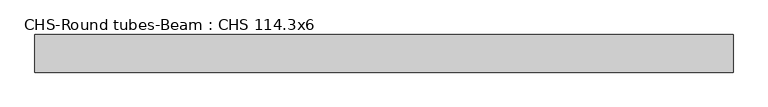
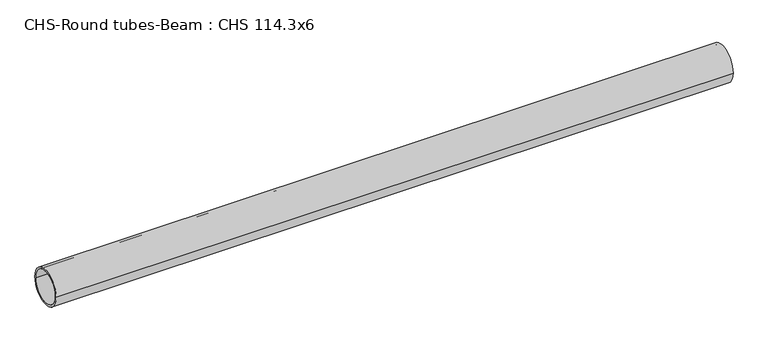
"""IFC4 building model written with IfcOpenShell, lengths in millimetres: beam geometry, CHS-Round tubes-Beam : CHS 114.3x6."""

from ifc_helpers import new_model, si_unit, point, frame, origin, origin_2d, place, context, project, spatial, circle_curve, trimmed, segment, composite_curve, outline, extrude, source, transform, mapped, element, save


def chs_round_tubes_beam_chs_114_3x6_602737c5(model_context):
    return source(origin(), model_context, "Body", "SweptSolid", [
        extrude(outline(composite_curve([segment(trimmed(circle_curve(origin_2d(), 57.15), [point((57.15, 0.0))], [point((-57.15, 0.0))], False, "CARTESIAN"), True, "CONTINUOUS"), segment(trimmed(circle_curve(origin_2d(), 57.15), [point((-57.15, 0.0))], [point((57.15, 0.0))], False, "CARTESIAN"), True, "CONTINUOUS")], self_intersect=False), holes=[composite_curve([segment(trimmed(circle_curve(origin_2d(), 51.15), [point((51.15, 0.0))], [point((-51.15, 0.0))], True, "CARTESIAN"), True, "CONTINUOUS"), segment(trimmed(circle_curve(origin_2d(), 51.15), [point((-51.15, 0.0))], [point((51.15, 0.0))], True, "CARTESIAN"), True, "CONTINUOUS")], self_intersect=False)]), frame((-1029.2272904, 0.0, 0.0), z_axis=(1.0, 0.0, 0.0), x_axis=(0.0, 1.0, 0.0)), (0.0, 0.0, 1.0), 2118.6130355),
    ])


if __name__ == "__main__":
    model = new_model("IFC4")
    model_context = context("Model", 3, world=origin())
    ifc_project = project(units=[si_unit("LENGTHUNIT", "METRE", prefix="MILLI")], contexts=[model_context])
    site = spatial("IfcSite", under=ifc_project)
    building = spatial("IfcBuilding", under=site)
    placement = place(None, origin())
    chs_round_tubes_beam_chs_114_3x6_shape = chs_round_tubes_beam_chs_114_3x6_602737c5(model_context)
    element("IfcBeam", 1, ObjectType="CHS-Round tubes-Beam : CHS 114.3x6", at=placement, inside=building, context=model_context, shape_type="MappedRepresentation", body=[
        mapped(chs_round_tubes_beam_chs_114_3x6_shape, transform((0.0, 0.0, 0.0), x_axis=(1.0, 0.0, 0.0), y_axis=(0.0, 1.0, 0.0), z_axis=(0.0, 0.0, 1.0))),
    ])
    save(model, "model.ifc")
